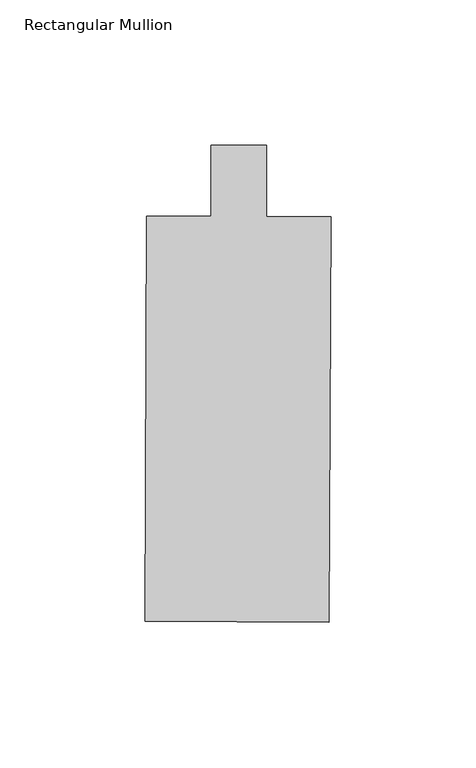
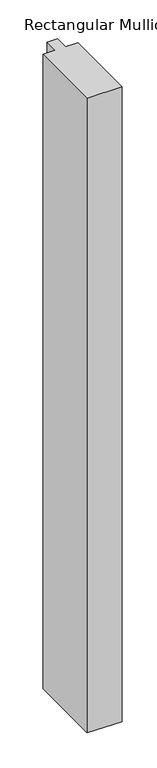
"""IFC4 building model written with IfcOpenShell, lengths in millimetres: member geometry, Rectangular Mullion."""

from ifc_helpers import new_model, si_unit, frame, origin, place, context, project, spatial, polyline, outline, extrude, source, transform, mapped, element, save


def rectangular_mullion_ddc5318b(model_context):
    return source(origin(), model_context, "Body", "SweptSolid", [
        extrude(outline(polyline([(30.9196676, -165.2438905), (-32.5796655, -164.9528656), (-31.9394107, -25.2543378), (-9.7147573, -25.356196), (-9.7147573, -0.79375), (9.335269, -0.79375), (9.335269, -25.4435045), (31.5599224, -25.5453627), (30.9196676, -165.2438905)])), frame((0.0, 0.0, -1219.2), z_axis=(0.0, 0.0, 1.0), x_axis=(1.0, 0.0, 0.0)), (0.0, 0.0, 1.0), 1219.2),
    ])


if __name__ == "__main__":
    model = new_model("IFC4")
    model_context = context("Model", 3, world=origin())
    ifc_project = project(units=[si_unit("LENGTHUNIT", "METRE", prefix="MILLI")], contexts=[model_context])
    site = spatial("IfcSite", under=ifc_project)
    building = spatial("IfcBuilding", under=site)
    placement = place(None, origin())
    rectangular_mullion_shape = rectangular_mullion_ddc5318b(model_context)
    element("IfcMember", 1, ObjectType="Rectangular Mullion", at=placement, inside=building, context=model_context, shape_type="MappedRepresentation", body=[
        mapped(rectangular_mullion_shape, transform((0.0, 0.0, 0.0), x_axis=(1.0, 0.0, 0.0), y_axis=(0.0, 1.0, 0.0), z_axis=(0.0, 0.0, 1.0))),
    ])
    save(model, "model.ifc")
